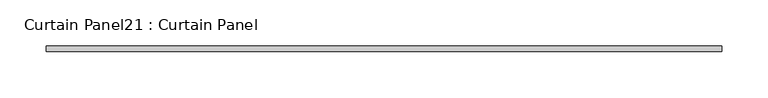
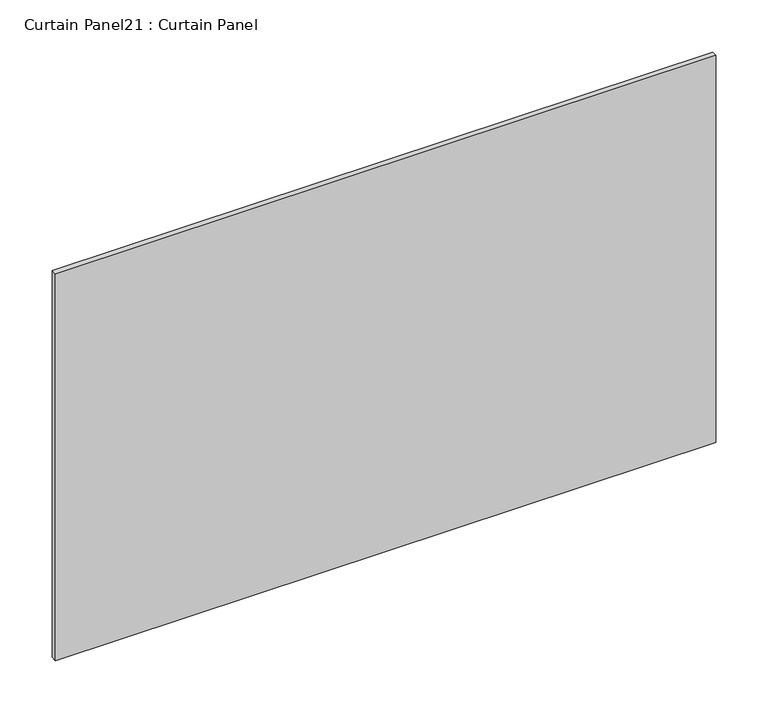
"""IFC4 building model written with IfcOpenShell, lengths in millimetres: plate geometry, Curtain Panel21 : Curtain Panel."""

from ifc_helpers import new_model, si_unit, frame, origin, place, context, project, spatial, polyline, outline, extrude, source, transform, mapped, element, save


def curtain_panel21_curtain_panel_bda38164(model_context):
    return source(origin(), model_context, "Body", "SweptSolid", [
        extrude(outline(polyline([(3227.8627701, 3568.3617926), (2495.4959131, 3568.3617926), (2495.4959131, 3574.7117926), (3227.8627701, 3574.7117926), (3227.8627701, 3568.3617926)])), frame((0.0, 0.0, 2554.398625), z_axis=(0.0, 0.0, 1.0), x_axis=(1.0, 0.0, 0.0)), (0.0, 0.0, 1.0), 453.80275),
    ])


if __name__ == "__main__":
    model = new_model("IFC4")
    model_context = context("Model", 3, world=origin())
    ifc_project = project(units=[si_unit("LENGTHUNIT", "METRE", prefix="MILLI")], contexts=[model_context])
    site = spatial("IfcSite", under=ifc_project)
    building = spatial("IfcBuilding", under=site)
    placement = place(None, origin())
    curtain_panel21_curtain_panel_shape = curtain_panel21_curtain_panel_bda38164(model_context)
    element("IfcPlate", 1, ObjectType="Curtain Panel21 : Curtain Panel", at=placement, inside=building, context=model_context, shape_type="MappedRepresentation", body=[
        mapped(curtain_panel21_curtain_panel_shape, transform((0.0, 0.0, 0.0), x_axis=(1.0, 0.0, 0.0), y_axis=(0.0, 1.0, 0.0), z_axis=(0.0, 0.0, 1.0))),
    ])
    save(model, "model.ifc")
